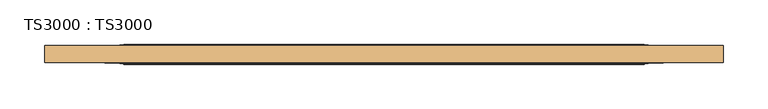
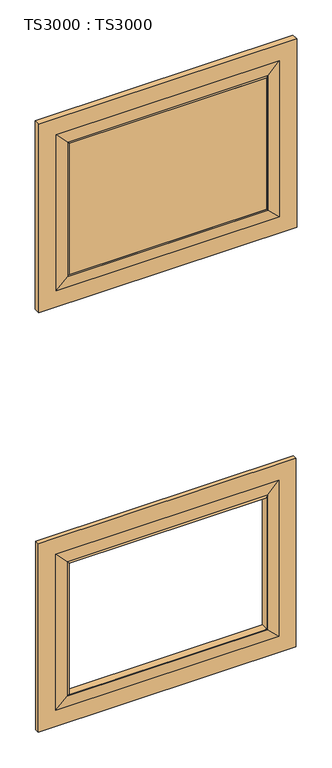
"""IFC4 building model written with IfcOpenShell, lengths in millimetres: door geometry, TS3000 : TS3000."""

from ifc_helpers import new_model, si_unit, frame, origin, place, context, project, spatial, polyline, ellipse_curve, outline, extrude, source, transform, mapped, element, save
from ifc_brep_helpers import plane_surface, revolved_surface, advanced_brep


def ts3000_ts3000_8495b2d9(model_context):
    return source(origin(), model_context, "Body", "SolidModel", [
        advanced_brep(
        [(889.0, -15.875, 797.9833333), (889.0, -28.575, 797.9833333), (889.0, -28.575, 209.55), (889.0, -15.875, 209.55), (800.1, -33.3375, 709.0833333), (800.1, -11.1125, 709.0833333), (800.1, -11.1125, 298.45), (800.1, -33.3375, 298.45), (127.0, -28.575, 209.55), (127.0, -15.875, 209.55), (215.9, -11.1125, 298.45), (215.9, -33.3375, 298.45), (127.0, -28.575, 797.9833333), (127.0, -15.875, 797.9833333), (215.9, -11.1125, 709.0833333), (215.9, -33.3375, 709.0833333), (838.2, -28.575, 260.35), (177.8, -28.575, 260.35), (177.8, -28.575, 747.1833333), (838.2, -28.575, 747.1833333), (838.2, -15.875, 747.1833333), (177.8, -15.875, 747.1833333), (177.8, -15.875, 260.35), (838.2, -15.875, 260.35), (804.8625, -30.95625, 713.8458333), (804.8625, -30.95625, 293.6875), (211.1375, -30.95625, 293.6875), (211.1375, -30.95625, 713.8458333), (804.8625, -13.49375, 713.8458333), (804.8625, -13.49375, 293.6875), (211.1375, -13.49375, 293.6875), (211.1375, -13.49375, 713.8458333)],
        [
            (0, 1),
            (1, 2),
            (2, 3),
            (3, 0),
            (4, 5),
            (5, 6),
            (6, 7),
            (7, 4),
            (2, 8),
            (8, 9),
            (9, 3),
            (6, 10),
            (10, 11),
            (11, 7),
            (8, 12),
            (12, 13),
            (13, 9),
            (10, 14),
            (14, 15),
            (15, 11),
            (1, 12),
            (16, 17),
            (17, 18),
            (18, 19),
            (19, 16),
            (0, 13),
            (20, 21),
            (21, 22),
            (22, 23),
            (23, 20),
            (14, 5),
            (4, 15),
            (19, 24),
            (24, 25),
            (25, 16),
            (25, 26),
            (26, 17),
            (26, 27),
            (27, 18),
            (27, 24),
            (28, 20),
            (23, 29),
            (29, 28),
            (5, 28, ellipse_curve(frame((805.3585938, -6.5484375, 714.3419271), z_axis=(-0.7071067811865475, 0.0, 0.7071067811865475), x_axis=(-0.7071067811865474, 0.0, -0.7071067811865476)), 9.8471798, 6.9630076)),
            (29, 6, ellipse_curve(frame((805.3585938, -6.5484375, 293.1914062), z_axis=(-0.7071067811865475, 0.0, -0.7071067811865475), x_axis=(0.7071067811865474, 0.0, -0.7071067811865476)), 9.8471798, 6.9630076)),
            (24, 4, ellipse_curve(frame((805.3585938, -37.9015625, 714.3419271), z_axis=(-0.7071067811865475, 0.0, 0.7071067811865475), x_axis=(-0.7071067811865474, 0.0, -0.7071067811865476)), 9.8471798, 6.9630076)),
            (7, 25, ellipse_curve(frame((805.3585938, -37.9015625, 293.1914062), z_axis=(-0.7071067811865475, 0.0, -0.7071067811865475), x_axis=(0.7071067811865474, 0.0, -0.7071067811865476)), 9.8471798, 6.9630076)),
            (22, 30),
            (30, 29),
            (30, 10, ellipse_curve(frame((210.6414063, -6.5484375, 293.1914062), z_axis=(-0.7071067811865475, 0.0, 0.7071067811865475), x_axis=(-0.7071067811865476, 0.0, -0.7071067811865474)), 9.8471798, 6.9630076)),
            (11, 26, ellipse_curve(frame((210.6414063, -37.9015625, 293.1914062), z_axis=(-0.7071067811865475, 0.0, 0.7071067811865475), x_axis=(-0.7071067811865476, 0.0, -0.7071067811865474)), 9.8471798, 6.9630076)),
            (21, 31),
            (31, 30),
            (31, 14, ellipse_curve(frame((210.6414063, -6.5484375, 714.3419271), z_axis=(0.7071067811865475, 0.0, 0.7071067811865475), x_axis=(-0.7071067811865474, 0.0, 0.7071067811865476)), 9.8471798, 6.9630076)),
            (15, 27, ellipse_curve(frame((210.6414063, -37.9015625, 714.3419271), z_axis=(0.7071067811865475, 0.0, 0.7071067811865475), x_axis=(-0.7071067811865474, 0.0, 0.7071067811865476)), 9.8471798, 6.9630076)),
            (28, 31),
        ],
        [
            plane_surface(frame((889.0, -28.575, 797.9833333), z_axis=(1.0, 0.0, 0.0), x_axis=(0.0, 0.0, -1.0))),
            plane_surface(frame((800.1, -11.1125, 709.0833333), z_axis=(-1.0, 0.0, 0.0), x_axis=(0.0, 0.0, -1.0))),
            plane_surface(frame((889.0, -28.575, 209.55), z_axis=(0.0, 0.0, -1.0), x_axis=(-1.0, 0.0, 0.0))),
            plane_surface(frame((800.1, -11.1125, 298.45), z_axis=(0.0, 0.0, 1.0), x_axis=(-1.0, 0.0, 0.0))),
            plane_surface(frame((127.0, -28.575, 209.55), z_axis=(-1.0, 0.0, 0.0), x_axis=(0.0, 0.0, 1.0))),
            plane_surface(frame((215.9, -11.1125, 298.45), z_axis=(1.0, 0.0, 0.0), x_axis=(0.0, 0.0, 1.0))),
            plane_surface(frame((177.8, -28.575, 747.1833333), z_axis=(0.0, -1.0, 0.0), x_axis=(1.0, 0.0, 0.0))),
            plane_surface(frame((127.0, -28.575, 797.9833333), z_axis=(0.0, 0.0, 1.0), x_axis=(1.0, 0.0, 0.0))),
            plane_surface(frame((127.0, -15.875, 797.9833333), z_axis=(0.0, 1.0, 0.0), x_axis=(1.0, 0.0, 0.0))),
            plane_surface(frame((215.9, -11.1125, 709.0833333), z_axis=(0.0, 0.0, -1.0), x_axis=(1.0, 0.0, 0.0))),
            plane_surface(frame((804.8625, -30.95625, 713.8458333), z_axis=(0.07124704998802811, -0.9974586998307265, 0.0), x_axis=(0.0, 0.0, -1.0))),
            plane_surface(frame((804.8625, -30.95625, 293.6875), z_axis=(0.0, -0.9974586998307263, -0.07124704998803134), x_axis=(-1.0, 0.0, 0.0))),
            plane_surface(frame((211.1375, -30.95625, 293.6875), z_axis=(-0.07124704998803458, -0.9974586998307261, 0.0), x_axis=(0.0, 0.0, 1.0))),
            plane_surface(frame((211.1375, -30.95625, 713.8458333), z_axis=(0.0, -0.9974586998307263, 0.07124704998803134), x_axis=(1.0, 0.0, 0.0))),
            plane_surface(frame((838.2, -15.875, 747.1833333), z_axis=(0.07124704998803484, 0.9974586998307261, 0.0), x_axis=(0.0, 0.0, -1.0))),
            revolved_surface(polyline([(798.3955862, -6.5484375, 286.2283985878568), (798.3955862, -6.5484375, 721.3049347121432)]), (805.3585938, -6.5484375, 709.0833333), (0.0, 0.0, -1.0)),
            revolved_surface(polyline([(798.3955862, -37.9015625, 286.2283985878568), (798.3955862, -37.9015625, 721.3049347121432)]), (805.3585938, -37.9015625, 709.0833333), (0.0, 0.0, -1.0)),
            plane_surface(frame((838.2, -15.875, 260.35), z_axis=(0.0, 0.9974586998307263, -0.07124704998803161), x_axis=(-1.0, 0.0, 0.0))),
            revolved_surface(polyline([(203.67839868785677, -6.5484375, 300.15441380000004), (812.3216014121432, -6.5484375, 300.15441380000004)]), (800.1, -6.5484375, 293.1914062), (-1.0, 0.0, 0.0)),
            revolved_surface(polyline([(203.67839868785677, -37.9015625, 300.15441380000004), (812.3216014121432, -37.9015625, 300.15441380000004)]), (800.1, -37.9015625, 293.1914062), (-1.0, 0.0, 0.0)),
            plane_surface(frame((177.8, -15.875, 260.35), z_axis=(-0.07124704998802837, 0.9974586998307265, 0.0), x_axis=(0.0, 0.0, 1.0))),
            revolved_surface(polyline([(217.6044139, -6.5484375, 721.3049347121432), (217.6044139, -6.5484375, 286.2283985878568)]), (210.6414063, -6.5484375, 298.45), (0.0, 0.0, 1.0)),
            revolved_surface(polyline([(217.6044139, -37.9015625, 721.3049347121432), (217.6044139, -37.9015625, 286.2283985878568)]), (210.6414063, -37.9015625, 298.45), (0.0, 0.0, 1.0)),
            plane_surface(frame((177.8, -15.875, 747.1833333), z_axis=(0.0, 0.9974586998307263, 0.07124704998803161), x_axis=(1.0, 0.0, 0.0))),
            revolved_surface(polyline([(812.3216014121432, -6.5484375, 707.3789195), (203.6783986878568, -6.5484375, 707.3789195)]), (215.9, -6.5484375, 714.3419271), (1.0, 0.0, 0.0)),
            revolved_surface(polyline([(812.3216014121432, -37.9015625, 707.3789195), (203.6783986878568, -37.9015625, 707.3789195)]), (215.9, -37.9015625, 714.3419271), (1.0, 0.0, 0.0)),
        ],
        [
            (0, [[1, 2, 3, 4]]),
            (1, [[5, 6, 7, 8]]),
            (2, [[-3, 9, 10, 11]]),
            (3, [[-7, 12, 13, 14]]),
            (4, [[-10, 15, 16, 17]]),
            (5, [[-13, 18, 19, 20]]),
            (6, [[21, -15, -9, -2], [22, 23, 24, 25]]),
            (7, [[-16, -21, -1, 26]]),
            (8, [[-11, -17, -26, -4], [27, 28, 29, 30]]),
            (9, [[-19, 31, -5, 32]]),
            (10, [[33, 34, 35, -25]]),
            (11, [[-35, 36, 37, -22]]),
            (12, [[-37, 38, 39, -23]]),
            (13, [[-39, 40, -33, -24]]),
            (14, [[41, -30, 42, 43]]),
            (15, [[44, -43, 45, -6]]),
            (16, [[46, -8, 47, -34]]),
            (17, [[-42, -29, 48, 49]]),
            (18, [[-45, -49, 50, -12]]),
            (19, [[-47, -14, 51, -36]]),
            (20, [[-48, -28, 52, 53]]),
            (21, [[-50, -53, 54, -18]]),
            (22, [[-51, -20, 55, -38]]),
            (23, [[-52, -27, -41, 56]]),
            (24, [[-54, -56, -44, -31]]),
            (25, [[-55, -32, -46, -40]]),
        ],
    ),
        advanced_brep(
        [(889.0, -12.7, 2108.2), (889.0, -31.75, 2108.2), (889.0, -31.75, 1519.7666667), (889.0, -12.7, 1519.7666667), (800.1, -33.3375, 2019.3), (800.1, -11.1125, 2019.3), (800.1, -11.1125, 1608.6666667), (800.1, -33.3375, 1608.6666667), (127.0, -31.75, 1519.7666667), (127.0, -12.7, 1519.7666667), (215.9, -11.1125, 1608.6666667), (215.9, -33.3375, 1608.6666667), (127.0, -31.75, 2108.2), (127.0, -12.7, 2108.2), (215.9, -11.1125, 2019.3), (215.9, -33.3375, 2019.3), (838.2, -31.75, 1570.5666667), (177.8, -31.75, 1570.5666667), (177.8, -31.75, 2057.4), (838.2, -31.75, 2057.4), (838.2, -12.7, 2057.4), (177.8, -12.7, 2057.4), (177.8, -12.7, 1570.5666667), (838.2, -12.7, 1570.5666667), (804.8625, -32.54375, 2024.0625), (804.8625, -32.54375, 1603.9041667), (211.1375, -32.54375, 1603.9041667), (211.1375, -32.54375, 2024.0625), (804.8625, -11.90625, 2024.0625), (804.8625, -11.90625, 1603.9041667), (211.1375, -11.90625, 1603.9041667), (211.1375, -11.90625, 2024.0625)],
        [
            (0, 1),
            (1, 2),
            (2, 3),
            (3, 0),
            (4, 5),
            (5, 6),
            (6, 7),
            (7, 4),
            (2, 8),
            (8, 9),
            (9, 3),
            (6, 10),
            (10, 11),
            (11, 7),
            (8, 12),
            (12, 13),
            (13, 9),
            (10, 14),
            (14, 15),
            (15, 11),
            (1, 12),
            (16, 17),
            (17, 18),
            (18, 19),
            (19, 16),
            (0, 13),
            (20, 21),
            (21, 22),
            (22, 23),
            (23, 20),
            (14, 5),
            (4, 15),
            (19, 24),
            (24, 25),
            (25, 16),
            (25, 26),
            (26, 17),
            (26, 27),
            (27, 18),
            (27, 24),
            (28, 20),
            (23, 29),
            (29, 28),
            (5, 28, ellipse_curve(frame((805.3585938, 5.7546875, 2024.5585938), z_axis=(-0.7071067811865475, 0.0, 0.7071067811865475), x_axis=(-0.7071067811865474, 0.0, -0.7071067811865476)), 24.9861891, 17.6679037)),
            (29, 6, ellipse_curve(frame((805.3585938, 5.7546875, 1603.4080729), z_axis=(-0.7071067811865475, 0.0, -0.7071067811865475), x_axis=(0.7071067811865474, 0.0, -0.7071067811865476)), 24.9861891, 17.6679037)),
            (24, 4, ellipse_curve(frame((805.3585938, -50.2046875, 2024.5585938), z_axis=(-0.7071067811865475, 0.0, 0.7071067811865475), x_axis=(-0.7071067811865474, 0.0, -0.7071067811865476)), 24.9861891, 17.6679037)),
            (7, 25, ellipse_curve(frame((805.3585938, -50.2046875, 1603.4080729), z_axis=(-0.7071067811865475, 0.0, -0.7071067811865475), x_axis=(0.7071067811865474, 0.0, -0.7071067811865476)), 24.9861891, 17.6679037)),
            (22, 30),
            (30, 29),
            (30, 10, ellipse_curve(frame((210.6414063, 5.7546875, 1603.4080729), z_axis=(-0.7071067811865475, 0.0, 0.7071067811865475), x_axis=(-0.7071067811865476, 0.0, -0.7071067811865474)), 24.9861891, 17.6679037)),
            (11, 26, ellipse_curve(frame((210.6414063, -50.2046875, 1603.4080729), z_axis=(-0.7071067811865475, 0.0, 0.7071067811865475), x_axis=(-0.7071067811865476, 0.0, -0.7071067811865474)), 24.9861891, 17.6679037)),
            (21, 31),
            (31, 30),
            (31, 14, ellipse_curve(frame((210.6414063, 5.7546875, 2024.5585938), z_axis=(0.7071067811865475, 0.0, 0.7071067811865475), x_axis=(-0.7071067811865474, 0.0, 0.7071067811865476)), 24.9861891, 17.6679037)),
            (15, 27, ellipse_curve(frame((210.6414063, -50.2046875, 2024.5585938), z_axis=(0.7071067811865475, 0.0, 0.7071067811865475), x_axis=(-0.7071067811865474, 0.0, 0.7071067811865476)), 24.9861891, 17.6679037)),
            (28, 31),
        ],
        [
            plane_surface(frame((889.0, -31.75, 2108.2), z_axis=(1.0, 0.0, 0.0), x_axis=(0.0, 0.0, -1.0))),
            plane_surface(frame((800.1, -11.1125, 2019.3), z_axis=(-1.0, 0.0, 0.0), x_axis=(0.0, 0.0, -1.0))),
            plane_surface(frame((889.0, -31.75, 1519.7666667), z_axis=(0.0, 0.0, -1.0), x_axis=(-1.0, 0.0, 0.0))),
            plane_surface(frame((800.1, -11.1125, 1608.6666667), z_axis=(0.0, 0.0, 1.0), x_axis=(-1.0, 0.0, 0.0))),
            plane_surface(frame((127.0, -31.75, 1519.7666667), z_axis=(-1.0, 0.0, 0.0), x_axis=(0.0, 0.0, 1.0))),
            plane_surface(frame((215.9, -11.1125, 1608.6666667), z_axis=(1.0, 0.0, 0.0), x_axis=(0.0, 0.0, 1.0))),
            plane_surface(frame((177.8, -31.75, 2057.4), z_axis=(0.0, -1.0, 0.0), x_axis=(1.0, 0.0, 0.0))),
            plane_surface(frame((127.0, -31.75, 2108.2), z_axis=(0.0, 0.0, 1.0), x_axis=(1.0, 0.0, 0.0))),
            plane_surface(frame((127.0, -12.7, 2108.2), z_axis=(0.0, 1.0, 0.0), x_axis=(1.0, 0.0, 0.0))),
            plane_surface(frame((215.9, -11.1125, 2019.3), z_axis=(0.0, 0.0, -1.0), x_axis=(1.0, 0.0, 0.0))),
            plane_surface(frame((804.8625, -32.54375, 2024.0625), z_axis=(0.02380277794632505, -0.9997166737441353, 0.0), x_axis=(0.0, 0.0, -1.0))),
            plane_surface(frame((804.8625, -32.54375, 1603.9041667), z_axis=(0.0, -0.9997166737441353, -0.02380277794632829), x_axis=(-1.0, 0.0, 0.0))),
            plane_surface(frame((211.1375, -32.54375, 1603.9041667), z_axis=(-0.023802777946331528, -0.9997166737441352, 0.0), x_axis=(0.0, 0.0, 1.0))),
            plane_surface(frame((211.1375, -32.54375, 2024.0625), z_axis=(0.0, -0.9997166737441353, 0.02380277794632829), x_axis=(1.0, 0.0, 0.0))),
            plane_surface(frame((838.2, -12.7, 2057.4), z_axis=(0.023802777946332287, 0.9997166737441352, 0.0), x_axis=(0.0, 0.0, -1.0))),
            revolved_surface(polyline([(787.6906901, 5.7546875, 1585.7401691513805), (787.6906901, 5.7546875, 2042.2264975486194)]), (805.3585938, 5.7546875, 2019.3), (0.0, 0.0, -1.0)),
            revolved_surface(polyline([(787.6906901, -50.2046875, 1585.7401691513805), (787.6906901, -50.2046875, 2042.2264975486194)]), (805.3585938, -50.2046875, 2019.3), (0.0, 0.0, -1.0)),
            plane_surface(frame((838.2, -12.7, 1570.5666667), z_axis=(0.0, 0.9997166737441353, -0.02380277794632905), x_axis=(-1.0, 0.0, 0.0))),
            revolved_surface(polyline([(192.97350255138053, 5.7546875, 1621.0759765999999), (823.0264975486194, 5.7546875, 1621.0759765999999)]), (800.1, 5.7546875, 1603.4080729), (-1.0, 0.0, 0.0)),
            revolved_surface(polyline([(192.97350255138053, -50.2046875, 1621.0759765999999), (823.0264975486194, -50.2046875, 1621.0759765999999)]), (800.1, -50.2046875, 1603.4080729), (-1.0, 0.0, 0.0)),
            plane_surface(frame((177.8, -12.7, 1570.5666667), z_axis=(-0.023802777946325814, 0.9997166737441354, 0.0), x_axis=(0.0, 0.0, 1.0))),
            revolved_surface(polyline([(228.30931, 5.7546875, 2042.2264975486194), (228.30931, 5.7546875, 1585.7401691513805)]), (210.6414063, 5.7546875, 1608.6666667), (0.0, 0.0, 1.0)),
            revolved_surface(polyline([(228.30931, -50.2046875, 2042.2264975486194), (228.30931, -50.2046875, 1585.7401691513805)]), (210.6414063, -50.2046875, 1608.6666667), (0.0, 0.0, 1.0)),
            plane_surface(frame((177.8, -12.7, 2057.4), z_axis=(0.0, 0.9997166737441353, 0.02380277794632905), x_axis=(1.0, 0.0, 0.0))),
            revolved_surface(polyline([(823.0264975486194, 5.7546875, 2006.8906901), (192.9735025513806, 5.7546875, 2006.8906901)]), (215.9, 5.7546875, 2024.5585938), (1.0, 0.0, 0.0)),
            revolved_surface(polyline([(823.0264975486194, -50.2046875, 2006.8906901), (192.9735025513806, -50.2046875, 2006.8906901)]), (215.9, -50.2046875, 2024.5585938), (1.0, 0.0, 0.0)),
        ],
        [
            (0, [[1, 2, 3, 4]]),
            (1, [[5, 6, 7, 8]]),
            (2, [[-3, 9, 10, 11]]),
            (3, [[-7, 12, 13, 14]]),
            (4, [[-10, 15, 16, 17]]),
            (5, [[-13, 18, 19, 20]]),
            (6, [[21, -15, -9, -2], [22, 23, 24, 25]]),
            (7, [[-16, -21, -1, 26]]),
            (8, [[-11, -17, -26, -4], [27, 28, 29, 30]]),
            (9, [[-19, 31, -5, 32]]),
            (10, [[33, 34, 35, -25]]),
            (11, [[-35, 36, 37, -22]]),
            (12, [[-37, 38, 39, -23]]),
            (13, [[-39, 40, -33, -24]]),
            (14, [[41, -30, 42, 43]]),
            (15, [[44, -43, 45, -6]]),
            (16, [[46, -8, 47, -34]]),
            (17, [[-42, -29, 48, 49]]),
            (18, [[-45, -49, 50, -12]]),
            (19, [[-47, -14, 51, -36]]),
            (20, [[-48, -28, 52, 53]]),
            (21, [[-50, -53, 54, -18]]),
            (22, [[-51, -20, 55, -38]]),
            (23, [[-52, -27, -41, 56]]),
            (24, [[-54, -56, -44, -31]]),
            (25, [[-55, -32, -46, -40]]),
        ],
    ),
        extrude(outline(polyline([(215.9, -11.1125), (800.1, -11.1125), (800.1, -33.3375), (215.9, -33.3375), (215.9, -11.1125)])), frame((0.0, 0.0, 1608.6666667), z_axis=(0.0, 0.0, 1.0), x_axis=(1.0, 0.0, 0.0)), (0.0, 0.0, 1.0), 410.6333333),
    ])


if __name__ == "__main__":
    model = new_model("IFC4")
    model_context = context("Model", 3, world=origin())
    ifc_project = project(units=[si_unit("LENGTHUNIT", "METRE", prefix="MILLI")], contexts=[model_context])
    site = spatial("IfcSite", under=ifc_project)
    building = spatial("IfcBuilding", under=site)
    placement = place(None, origin())
    ts3000_ts3000_shape = ts3000_ts3000_8495b2d9(model_context)
    element("IfcDoor", 1, ObjectType="TS3000 : TS3000", at=placement, inside=building, context=model_context, shape_type="MappedRepresentation", body=[
        mapped(ts3000_ts3000_shape, transform((0.0, 0.0, 0.0), x_axis=(1.0, 0.0, 0.0), y_axis=(0.0, 1.0, 0.0), z_axis=(0.0, 0.0, 1.0))),
    ])
    save(model, "model.ifc")
